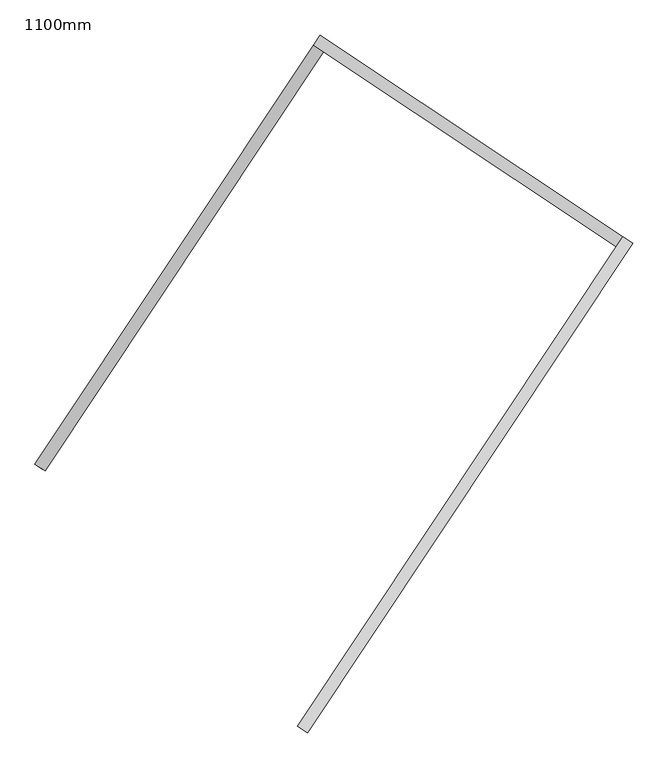
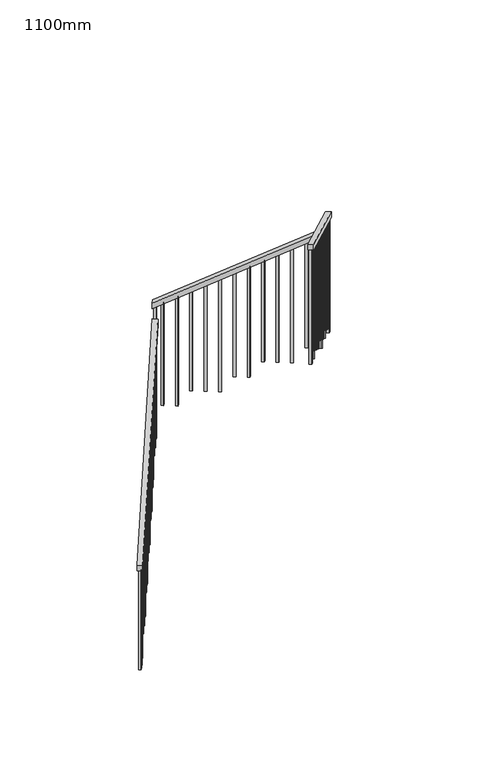
"""IFC4 building model written with IfcOpenShell, lengths in millimetres: railing geometry, 1100mm."""

from ifc_helpers import new_model, si_unit, frame, origin, place, context, project, spatial, polyline, outline, extrude, source, transform, mapped, element, save


def railing_1100mm_0ffc8153(model_context):
    return source(origin(), model_context, "Body", "SweptSolid", [
        extrude(outline(polyline([(27.7777778, -50.0000001), (0.0, 0.0), (2374.1723105, 0.0), (2401.9500884, -50.0), (27.7777778, -50.0000001)])), frame((-247190.6933465, 56781.2121067, 1889.4687214), z_axis=(-0.8325833518276936, 0.5538997763669554, 0.0), x_axis=(0.484195519753174, 0.7278087949776981, 0.48564293117893187)), (0.0, 0.0, 1.0), 50.0),
        extrude(outline(polyline([(27.7777778, -50.0), (0.0, 0.0), (1716.8535239, 1e-07), (1744.6313017, -50.0), (27.7777778, -50.0)])), frame((-246082.7589182, 58536.8505839, 3208.6909437), z_axis=(0.5538997763679978, 0.832583351827, 0.0), x_axis=(0.7278087949775065, -0.4841955197543616, 0.48564293117803486)), (0.0, 0.0, 1.0), 50.0),
        extrude(outline(polyline([(-27.7777778, -50.0), (0.0, 0.0), (2774.5579271, 0.0), (2746.7801493, -50.0), (-27.7777778, -50.0)])), frame((-244763.8936674, 57719.4919783, 4265.8888889), z_axis=(-0.8325833518276049, 0.5538997763670884, 0.0), x_axis=(-0.4841955197534923, -0.7278087949779225, 0.4856429311782782)), (0.0, 0.0, 1.0), 50.0),
        extrude(outline(polyline([(1260.6353881, -25.0), (106.9444445, -25.0), (93.0555556, 0.0), (1260.6353881, 0.0), (1260.6353881, -25.0)])), frame((-246075.9654337, 55769.8448487, 5607.3020548), z_axis=(-0.8325833518276039, 0.5538997763670903, 0.0), x_axis=(0.0, 0.0, -1.0000000000000002)), (0.0, 0.0, 1.0), 25.0),
        extrude(outline(polyline([(1191.1909436, -25.0), (106.9444444, -25.0), (93.0555555, 0.0), (1191.1909436, 0.0), (1191.1909436, -25.0)])), frame((-246006.7279617, 55873.9177677, 5537.8576103), z_axis=(-0.8325833518276039, 0.5538997763670903, 0.0), x_axis=(0.0, 0.0, -1.0000000000000002)), (0.0, 0.0, 1.0), 25.0),
        extrude(outline(polyline([(1288.4131659, -25.0), (106.9444445, -25.0), (93.0555556, 0.0), (1288.4131659, 0.0), (1288.4131659, -25.0)])), frame((-245937.4904896, 55977.9906866, 5468.4131659), z_axis=(-0.8325833518276039, 0.5538997763670903, 0.0), x_axis=(0.0, 0.0, -1.0000000000000002)), (0.0, 0.0, 1.0), 25.0),
        extrude(outline(polyline([(1218.9687214, -25.0), (106.9444444, -25.0), (93.0555555, 0.0), (1218.9687214, 0.0), (1218.9687214, -25.0)])), frame((-245868.2530176, 56082.0636056, 5398.9687214), z_axis=(-0.8325833518276039, 0.5538997763670903, 0.0), x_axis=(0.0, 0.0, -1.0000000000000002)), (0.0, 0.0, 1.0), 25.0),
        extrude(outline(polyline([(1149.524277, -25.0), (106.9444445, -25.0), (93.0555556, 0.0), (1149.524277, 0.0), (1149.524277, -25.0)])), frame((-245799.0155455, 56186.1365246, 5329.524277), z_axis=(-0.8325833518276039, 0.5538997763670903, 0.0), x_axis=(0.0, 0.0, -1.0000000000000002)), (0.0, 0.0, 1.0), 25.0),
        extrude(outline(polyline([(1246.7464992, -25.0), (106.9444444, -25.0), (93.0555555, 0.0), (1246.7464992, 0.0), (1246.7464992, -25.0)])), frame((-245729.7780735, 56290.2094436, 5260.0798325), z_axis=(-0.8325833518276039, 0.5538997763670903, 0.0), x_axis=(0.0, 0.0, -1.0000000000000002)), (0.0, 0.0, 1.0), 25.0),
        extrude(outline(polyline([(1177.3020548, -25.0), (106.9444444, -25.0), (93.0555555, 0.0), (1177.3020548, 0.0), (1177.3020548, -25.0)])), frame((-245660.5406014, 56394.2823626, 5190.6353881), z_axis=(-0.8325833518276039, 0.5538997763670903, 0.0), x_axis=(0.0, 0.0, -1.0000000000000002)), (0.0, 0.0, 1.0), 25.0),
        extrude(outline(polyline([(1274.524277, -25.0), (106.9444445, -25.0), (93.0555556, 0.0), (1274.524277, 0.0), (1274.524277, -25.0)])), frame((-245591.3031294, 56498.3552815, 5121.1909437), z_axis=(-0.8325833518276039, 0.5538997763670903, 0.0), x_axis=(0.0, 0.0, -1.0000000000000002)), (0.0, 0.0, 1.0), 25.0),
        extrude(outline(polyline([(1205.0798325, -25.0000001), (106.9444444, -25.0000001), (93.0555555, 0.0), (1205.0798325, 0.0), (1205.0798325, -25.0000001)])), frame((-245522.0656574, 56602.4282005, 5051.7464992), z_axis=(-0.8325833518276039, 0.5538997763670903, 0.0), x_axis=(0.0, 0.0, -1.0000000000000002)), (0.0, 0.0, 1.0), 25.0),
        extrude(outline(polyline([(1302.3020548, -25.0), (106.9444445, -25.0), (93.0555556, 0.0), (1302.3020548, 0.0), (1302.3020548, -25.0)])), frame((-245452.8281853, 56706.5011195, 4982.3020548), z_axis=(-0.8325833518276039, 0.5538997763670903, 0.0), x_axis=(0.0, 0.0, -1.0000000000000002)), (0.0, 0.0, 1.0), 25.0),
        extrude(outline(polyline([(1232.8576103, -25.0), (106.9444444, -25.0), (93.0555555, 0.0), (1232.8576103, 0.0), (1232.8576103, -25.0)])), frame((-245383.5907133, 56810.5740385, 4912.8576103), z_axis=(-0.8325833518276039, 0.5538997763670903, 0.0), x_axis=(0.0, 0.0, -1.0000000000000002)), (0.0, 0.0, 1.0), 25.0),
        extrude(outline(polyline([(1163.4131659, -24.9999999), (106.9444445, -24.9999999), (93.0555556, 0.0), (1163.4131659, 0.0), (1163.4131659, -24.9999999)])), frame((-245314.3532412, 56914.6469575, 4843.4131659), z_axis=(-0.8325833518276039, 0.5538997763670903, 0.0), x_axis=(0.0, 0.0, -1.0000000000000002)), (0.0, 0.0, 1.0), 25.0),
        extrude(outline(polyline([(1260.6353881, -25.0), (106.9444444, -25.0), (93.0555555, 0.0), (1260.6353881, 0.0), (1260.6353881, -25.0)])), frame((-245245.1157692, 57018.7198764, 4773.9687214), z_axis=(-0.8325833518276039, 0.5538997763670903, 0.0), x_axis=(0.0, 0.0, -1.0000000000000002)), (0.0, 0.0, 1.0), 25.0),
        extrude(outline(polyline([(1191.1909437, -25.0), (106.9444445, -25.0), (93.0555556, 0.0), (1191.1909437, 0.0), (1191.1909437, -25.0)])), frame((-245175.8782971, 57122.7927954, 4704.524277), z_axis=(-0.8325833518276039, 0.5538997763670903, 0.0), x_axis=(0.0, 0.0, -1.0000000000000002)), (0.0, 0.0, 1.0), 25.0),
        extrude(outline(polyline([(1288.4131658, -25.0), (106.9444444, -25.0), (93.0555555, 0.0), (1288.4131658, 0.0), (1288.4131658, -25.0)])), frame((-245106.6408251, 57226.8657144, 4635.0798325), z_axis=(-0.8325833518276039, 0.5538997763670903, 0.0), x_axis=(0.0, 0.0, -1.0000000000000002)), (0.0, 0.0, 1.0), 25.0),
        extrude(outline(polyline([(1218.9687214, -25.0), (106.9444444, -25.0), (93.0555556, 0.0), (1218.9687214, 0.0), (1218.9687214, -25.0)])), frame((-245037.403353, 57330.9386334, 4565.6353881), z_axis=(-0.8325833518276039, 0.5538997763670903, 0.0), x_axis=(0.0, 0.0, -1.0000000000000002)), (0.0, 0.0, 1.0), 25.0),
        extrude(outline(polyline([(1149.524277, -25.0), (106.9444445, -25.0), (93.0555556, 0.0), (1149.524277, 0.0), (1149.524277, -25.0)])), frame((-244968.165881, 57435.0115523, 4496.1909437), z_axis=(-0.8325833518276039, 0.5538997763670903, 0.0), x_axis=(0.0, 0.0, -1.0000000000000002)), (0.0, 0.0, 1.0), 25.0),
        extrude(outline(polyline([(1246.7464992, -25.0), (106.9444444, -25.0), (93.0555555, 0.0), (1246.7464992, 0.0), (1246.7464992, -25.0)])), frame((-244898.9284089, 57539.0844713, 4426.7464992), z_axis=(-0.8325833518276039, 0.5538997763670903, 0.0), x_axis=(0.0, 0.0, -1.0000000000000002)), (0.0, 0.0, 1.0), 25.0),
        extrude(outline(polyline([(1177.3020548, -25.0), (106.9444445, -25.0), (93.0555556, 0.0), (1177.3020548, 0.0), (1177.3020548, -25.0)])), frame((-244829.6909369, 57643.1573903, 4357.3020548), z_axis=(-0.8325833518276039, 0.5538997763670903, 0.0), x_axis=(0.0, 0.0, -1.0000000000000002)), (0.0, 0.0, 1.0), 25.0),
        extrude(outline(polyline([(106.9444445, 0.0), (1274.524277, 0.0), (1274.524277, -25.0), (93.0555556, -25.0), (106.9444445, 0.0)])), frame((-244868.5893108, 57744.1032, 4121.1909437), z_axis=(0.5538997763679924, 0.8325833518270036, 0.0), x_axis=(0.0, 0.0, -1.0)), (0.0, 0.0, 1.0), 25.0),
        extrude(outline(polyline([(106.9444444, 0.0), (1205.0798325, 0.0), (1205.0798325, -25.0), (93.0555555, -25.0), (106.9444444, 0.0)])), frame((-244972.6622298, 57813.3406721, 4051.7464992), z_axis=(0.5538997763679924, 0.8325833518270036, 0.0), x_axis=(0.0, 0.0, -1.0)), (0.0, 0.0, 1.0), 25.0),
        extrude(outline(polyline([(106.9444445, 0.0), (1302.3020548, 0.0), (1302.3020548, -25.0), (93.0555556, -25.0), (106.9444445, 0.0)])), frame((-245076.7351488, 57882.5781441, 3982.3020548), z_axis=(0.5538997763679924, 0.8325833518270036, 0.0), x_axis=(0.0, 0.0, -1.0)), (0.0, 0.0, 1.0), 25.0),
        extrude(outline(polyline([(106.9444444, 0.0), (1232.8576103, 0.0), (1232.8576103, -25.0), (93.0555555, -25.0), (106.9444444, 0.0)])), frame((-245180.8080678, 57951.8156162, 3912.8576103), z_axis=(0.5538997763679924, 0.8325833518270036, 0.0), x_axis=(0.0, 0.0, -1.0)), (0.0, 0.0, 1.0), 25.0),
        extrude(outline(polyline([(106.9444445, 0.0), (1163.4131659, 0.0), (1163.4131659, -25.0), (93.0555556, -25.0), (106.9444445, 0.0)])), frame((-245284.8809868, 58021.0530882, 3843.4131659), z_axis=(0.5538997763679924, 0.8325833518270036, 0.0), x_axis=(0.0, 0.0, -1.0)), (0.0, 0.0, 1.0), 25.0),
        extrude(outline(polyline([(106.9444444, 0.0), (1260.6353881, 0.0), (1260.6353881, -25.0), (93.0555555, -25.0), (106.9444444, 0.0)])), frame((-245388.9539057, 58090.2905603, 3773.9687214), z_axis=(0.5538997763679924, 0.8325833518270036, 0.0), x_axis=(0.0, 0.0, -1.0)), (0.0, 0.0, 1.0), 25.0),
        extrude(outline(polyline([(106.9444445, 0.0), (1191.1909437, 0.0), (1191.1909437, -25.0), (93.0555556, -25.0), (106.9444445, 0.0)])), frame((-245493.0268247, 58159.5280323, 3704.524277), z_axis=(0.5538997763679924, 0.8325833518270036, 0.0), x_axis=(0.0, 0.0, -1.0)), (0.0, 0.0, 1.0), 25.0),
        extrude(outline(polyline([(106.9444444, 0.0), (1288.4131658, 0.0), (1288.4131658, -25.0), (93.0555555, -25.0), (106.9444444, 0.0)])), frame((-245597.0997437, 58228.7655044, 3635.0798325), z_axis=(0.5538997763679924, 0.8325833518270036, 0.0), x_axis=(0.0, 0.0, -1.0)), (0.0, 0.0, 1.0), 25.0),
        extrude(outline(polyline([(106.9444444, 0.0), (1218.9687214, 0.0), (1218.9687214, -25.0), (93.0555556, -25.0), (106.9444444, 0.0)])), frame((-245701.1726627, 58298.0029764, 3565.6353881), z_axis=(0.5538997763679924, 0.8325833518270036, 0.0), x_axis=(0.0, 0.0, -1.0)), (0.0, 0.0, 1.0), 25.0),
        extrude(outline(polyline([(106.9444445, 0.0), (1149.524277, 0.0), (1149.524277, -25.0), (93.0555556, -25.0), (106.9444445, 0.0)])), frame((-245805.2455816, 58367.2404485, 3496.1909437), z_axis=(0.5538997763679924, 0.8325833518270036, 0.0), x_axis=(0.0, 0.0, -1.0)), (0.0, 0.0, 1.0), 25.0),
        extrude(outline(polyline([(106.9444444, 0.0), (1246.7464992, 0.0), (1246.7464992, -25.0), (93.0555555, -25.0), (106.9444444, 0.0)])), frame((-245909.3185006, 58436.4779205, 3426.7464992), z_axis=(0.5538997763679924, 0.8325833518270036, 0.0), x_axis=(0.0, 0.0, -1.0)), (0.0, 0.0, 1.0), 25.0),
        extrude(outline(polyline([(106.9444445, 0.0), (1177.3020548, 0.0), (1177.3020548, -25.0000001), (93.0555556, -25.0000001), (106.9444445, 0.0)])), frame((-246013.3914196, 58505.7153926, 3357.3020548), z_axis=(0.5538997763679924, 0.8325833518270036, 0.0), x_axis=(0.0, 0.0, -1.0)), (0.0, 0.0, 1.0), 25.0),
        extrude(outline(polyline([(106.9444445, 0.0), (1288.6353881, 0.0), (1288.6353881, -25.0), (93.0555556, -25.0), (106.9444445, 0.0)])), frame((-246065.6060968, 58494.9317251, 3135.3020548), z_axis=(-0.8325833518276953, 0.5538997763669528, 0.0), x_axis=(0.0, 0.0, -1.0)), (0.0, 0.0, 1.0), 25.0),
        extrude(outline(polyline([(106.9444444, 0.0), (1219.1909436, 0.0), (1219.1909436, -25.0), (93.0555555, -25.0), (106.9444444, 0.0)])), frame((-246134.8435689, 58390.8588061, 3065.8576103), z_axis=(-0.8325833518276953, 0.5538997763669528, 0.0), x_axis=(0.0, 0.0, -1.0)), (0.0, 0.0, 1.0), 25.0),
        extrude(outline(polyline([(106.9444445, 0.0), (1149.7464992, 0.0), (1149.7464992, -25.0), (93.0555556, -25.0), (106.9444445, 0.0)])), frame((-246204.0810409, 58286.7858872, 2996.4131659), z_axis=(-0.8325833518276953, 0.5538997763669528, 0.0), x_axis=(0.0, 0.0, -1.0)), (0.0, 0.0, 1.0), 25.0),
        extrude(outline(polyline([(106.9444444, 0.0), (1246.9687214, 0.0), (1246.9687214, -25.0), (93.0555555, -25.0), (106.9444444, 0.0)])), frame((-246273.318513, 58182.7129682, 2926.9687214), z_axis=(-0.8325833518276953, 0.5538997763669528, 0.0), x_axis=(0.0, 0.0, -1.0)), (0.0, 0.0, 1.0), 25.0),
        extrude(outline(polyline([(106.9444445, 0.0), (1177.524277, 0.0), (1177.524277, -25.0), (93.0555556, -25.0), (106.9444445, 0.0)])), frame((-246342.555985, 58078.6400492, 2857.524277), z_axis=(-0.8325833518276953, 0.5538997763669528, 0.0), x_axis=(0.0, 0.0, -1.0)), (0.0, 0.0, 1.0), 25.0),
        extrude(outline(polyline([(106.9444444, 0.0), (1274.7464992, 0.0), (1274.7464992, -25.0000001), (93.0555555, -25.0000001), (106.9444444, 0.0)])), frame((-246411.7934571, 57974.5671302, 2788.0798325), z_axis=(-0.8325833518276953, 0.5538997763669528, 0.0), x_axis=(0.0, 0.0, -1.0)), (0.0, 0.0, 1.0), 25.0),
        extrude(outline(polyline([(106.9444444, 0.0), (1205.3020548, 0.0), (1205.3020548, -25.0), (93.0555556, -25.0), (106.9444444, 0.0)])), frame((-246481.0309291, 57870.4942113, 2718.6353881), z_axis=(-0.8325833518276953, 0.5538997763669528, 0.0), x_axis=(0.0, 0.0, -1.0)), (0.0, 0.0, 1.0), 25.0),
        extrude(outline(polyline([(106.9444445, 0.0), (1302.524277, 0.0), (1302.524277, -25.0), (93.0555556, -25.0), (106.9444445, 0.0)])), frame((-246550.2684011, 57766.4212923, 2649.1909437), z_axis=(-0.8325833518276953, 0.5538997763669528, 0.0), x_axis=(0.0, 0.0, -1.0)), (0.0, 0.0, 1.0), 25.0),
        extrude(outline(polyline([(106.9444444, 0.0), (1233.0798325, 0.0), (1233.0798325, -25.0), (93.0555555, -25.0), (106.9444444, 0.0)])), frame((-246619.5058732, 57662.3483733, 2579.7464992), z_axis=(-0.8325833518276953, 0.5538997763669528, 0.0), x_axis=(0.0, 0.0, -1.0)), (0.0, 0.0, 1.0), 25.0),
        extrude(outline(polyline([(106.9444445, 0.0), (1163.6353881, 0.0), (1163.6353881, -25.0), (93.0555556, -25.0), (106.9444445, 0.0)])), frame((-246688.7433452, 57558.2754543, 2510.3020548), z_axis=(-0.8325833518276953, 0.5538997763669528, 0.0), x_axis=(0.0, 0.0, -1.0)), (0.0, 0.0, 1.0), 25.0),
        extrude(outline(polyline([(106.9444444, 0.0), (1260.8576103, 0.0), (1260.8576103, -25.0), (93.0555555, -25.0), (106.9444444, 0.0)])), frame((-246757.9808173, 57454.2025353, 2440.8576103), z_axis=(-0.8325833518276953, 0.5538997763669528, 0.0), x_axis=(0.0, 0.0, -1.0)), (0.0, 0.0, 1.0), 25.0),
        extrude(outline(polyline([(106.9444445, 0.0), (1191.4131659, 0.0), (1191.4131659, -25.0), (93.0555556, -25.0), (106.9444445, 0.0)])), frame((-246827.2182893, 57350.1296164, 2371.4131659), z_axis=(-0.8325833518276953, 0.5538997763669528, 0.0), x_axis=(0.0, 0.0, -1.0)), (0.0, 0.0, 1.0), 25.0),
        extrude(outline(polyline([(106.9444444, 0.0), (1288.6353881, 0.0), (1288.6353881, -25.0), (93.0555555, -25.0), (106.9444444, 0.0)])), frame((-246896.4557614, 57246.0566974, 2301.9687214), z_axis=(-0.8325833518276953, 0.5538997763669528, 0.0), x_axis=(0.0, 0.0, -1.0)), (0.0, 0.0, 1.0), 25.0),
        extrude(outline(polyline([(106.9444445, 0.0), (1219.1909437, 0.0), (1219.1909437, -25.0), (93.0555556, -25.0), (106.9444445, 0.0)])), frame((-246965.6932334, 57141.9837784, 2232.524277), z_axis=(-0.8325833518276953, 0.5538997763669528, 0.0), x_axis=(0.0, 0.0, -1.0)), (0.0, 0.0, 1.0), 25.0),
        extrude(outline(polyline([(106.9444444, 0.0), (1149.7464992, 0.0), (1149.7464992, -25.0), (93.0555555, -25.0), (106.9444444, 0.0)])), frame((-247034.9307055, 57037.9108594, 2163.0798325), z_axis=(-0.8325833518276953, 0.5538997763669528, 0.0), x_axis=(0.0, 0.0, -1.0)), (0.0, 0.0, 1.0), 25.0),
        extrude(outline(polyline([(106.9444444, 0.0), (1246.9687214, 0.0), (1246.9687214, -24.9999999), (93.0555556, -24.9999999), (106.9444444, 0.0)])), frame((-247104.1681775, 56933.8379405, 2093.6353881), z_axis=(-0.8325833518276953, 0.5538997763669528, 0.0), x_axis=(0.0, 0.0, -1.0)), (0.0, 0.0, 1.0), 25.0),
        extrude(outline(polyline([(106.9444445, 0.0), (1177.524277, 0.0), (1177.524277, -25.0000001), (93.0555556, -25.0000001), (106.9444445, 0.0)])), frame((-247173.4056496, 56829.7650215, 2024.1909437), z_axis=(-0.8325833518276953, 0.5538997763669528, 0.0), x_axis=(0.0, 0.0, -1.0)), (0.0, 0.0, 1.0), 25.0),
        extrude(outline(polyline([(1309.2464993, -25.0), (106.9444445, -25.0), (93.0555556, 0.0), (1309.2464993, 0.0), (1309.2464993, -25.0)])), frame((-244795.0722009, 57695.1938498, 4322.5798326), z_axis=(-0.8325833518276039, 0.5538997763670903, 0.0), x_axis=(0.0, 0.0, -1.0000000000000002)), (0.0, 0.0, 1.0), 25.0),
        extrude(outline(polyline([(106.9444445, 0.0), (1309.2464993, 0.0), (1309.2464993, -25.0), (93.0555556, -25.0), (106.9444445, 0.0)])), frame((-246065.4278791, 58540.3341286, 3322.5798326), z_axis=(0.5538997763679924, 0.8325833518270036, 0.0), x_axis=(0.0, 0.0, -1.0)), (0.0, 0.0, 1.0), 25.0),
        extrude(outline(polyline([(1302.524277, -25.0), (106.9444445, -25.0), (93.0555556, 0.0), (1302.524277, 0.0), (1302.524277, -25.0)])), frame((-246117.7294769, 55707.068064, 5649.1909437), z_axis=(-0.8325833518276039, 0.5538997763670903, 0.0), x_axis=(0.0, 0.0, -1.0000000000000002)), (0.0, 0.0, 1.0), 25.0),
        extrude(outline(polyline([(106.9444445, 0.0), (1149.7464992, 0.0), (1149.7464992, -25.0), (93.0555556, -25.0), (106.9444445, 0.0)])), frame((-247201.1006384, 56788.1358539, 1996.4131659), z_axis=(-0.8325833518276953, 0.5538997763669528, 0.0), x_axis=(0.0, 0.0, -1.0)), (0.0, 0.0, 1.0), 25.0),
    ])


if __name__ == "__main__":
    model = new_model("IFC4")
    model_context = context("Model", 3, world=origin())
    ifc_project = project(units=[si_unit("LENGTHUNIT", "METRE", prefix="MILLI")], contexts=[model_context])
    site = spatial("IfcSite", under=ifc_project)
    building = spatial("IfcBuilding", under=site)
    placement = place(None, origin())
    railing_1100mm_shape = railing_1100mm_0ffc8153(model_context)
    element("IfcRailing", 1, ObjectType="1100mm", at=placement, inside=building, context=model_context, shape_type="MappedRepresentation", body=[
        mapped(railing_1100mm_shape, transform((0.0, 0.0, 0.0), x_axis=(1.0, 0.0, 0.0), y_axis=(0.0, 1.0, 0.0), z_axis=(0.0, 0.0, 1.0))),
    ])
    save(model, "model.ifc")
